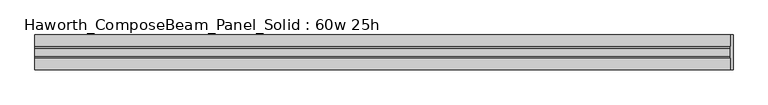
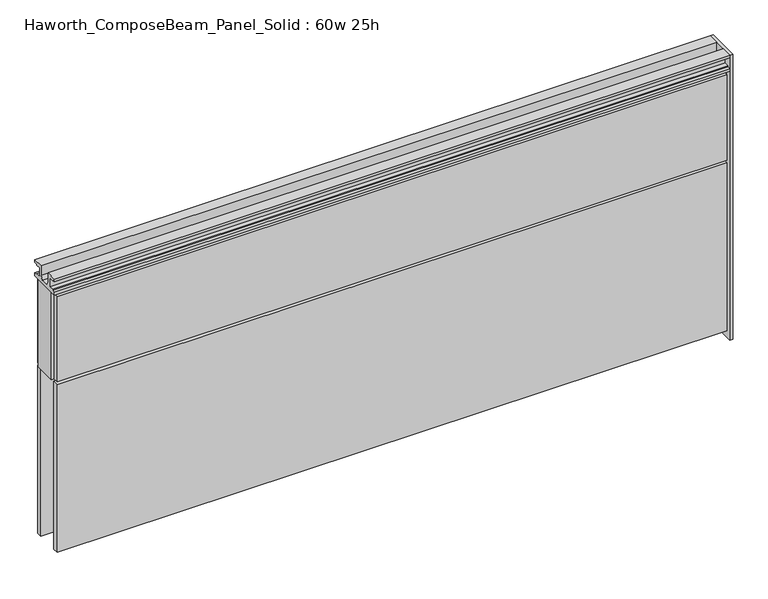
"""IFC4 building model written with IfcOpenShell, lengths in millimetres: furniture geometry, Haworth_ComposeBeam_Panel_Solid : 60w 25h."""

from ifc_helpers import new_model, si_unit, frame, origin, origin_with_axes, place, context, project, spatial, polyline, outline, extrude, source, transform, mapped, element, save


def haworth_composebeam_panel_solid_60w_25h_a267cca1(model_context):
    return source(origin(), model_context, "Body", "SweptSolid", [
        extrude(outline(polyline([(-38.1, 673.1), (-38.1, 679.45), (-13.5001003, 679.45), (-13.5001003, 657.6828071), (-8.7648475, 647.7), (8.7648498, 647.7), (13.5001026, 657.6828071), (13.5001026, 679.45), (38.1000023, 679.45), (38.1000023, 673.1), (30.6197023, 673.1), (30.6197023, 670.8139719), (19.6977019, 670.8139719), (19.6977019, 649.9860281), (30.6197023, 649.9860281), (30.6197023, 647.7), (38.1000011, 647.7), (38.1000011, 641.35), (-38.0999989, 641.35), (-38.0999989, 647.7), (-30.6197, 647.7), (-30.6197, 649.9860281), (-19.6976996, 649.9860281), (-19.6976996, 670.8139719), (-30.6197, 670.8139719), (-30.6197, 673.1), (-38.1, 673.1)])), frame((-759.5597098, 0.0, 0.0), z_axis=(1.0, 0.0, 0.0), x_axis=(0.0, 1.0, 0.0)), (0.0, 0.0, 1.0), 1524.0),
        extrude(outline(polyline([(770.7902902, 38.1), (770.7902902, -38.1), (764.4402902, -38.1), (764.4402902, 38.1), (770.7902902, 38.1)])), origin_with_axes(), (0.0, 0.0, 1.0), 679.45),
        extrude(outline(polyline([(764.4402902, -25.4), (-759.5597098, -25.4), (-759.5597098, 25.4), (764.4402902, 25.4), (764.4402902, -25.4)])), frame((0.0, 0.0, 431.8), z_axis=(0.0, 0.0, 1.0), x_axis=(1.0, 0.0, 0.0)), (0.0, 0.0, 1.0), 209.55),
        extrude(outline(polyline([(-753.2097098, -25.4), (758.0902902, -25.4), (758.0902902, -38.1), (-753.2097098, -38.1), (-753.2097098, -25.4)])), frame((0.0, 0.0, 431.8), z_axis=(0.0, 0.0, 1.0), x_axis=(1.0, 0.0, 0.0)), (0.0, 0.0, 1.0), 203.2),
        extrude(outline(polyline([(-753.2097098, -25.4), (758.0902902, -25.4), (758.0902902, -38.1), (-753.2097098, -38.1), (-753.2097098, -25.4)])), frame((0.0, 0.0, 25.4), z_axis=(0.0, 0.0, 1.0), x_axis=(1.0, 0.0, 0.0)), (0.0, 0.0, 1.0), 400.05),
        extrude(outline(polyline([(-753.2097098, 38.1), (758.0902902, 38.1), (758.0902902, 25.4), (-753.2097098, 25.4), (-753.2097098, 38.1)])), frame((0.0, 0.0, 431.8), z_axis=(0.0, 0.0, 1.0), x_axis=(1.0, 0.0, 0.0)), (0.0, 0.0, 1.0), 203.2),
        extrude(outline(polyline([(-753.2097098, 38.1), (758.0902902, 38.1), (758.0902902, 25.4), (-753.2097098, 25.4), (-753.2097098, 38.1)])), frame((0.0, 0.0, 25.4), z_axis=(0.0, 0.0, 1.0), x_axis=(1.0, 0.0, 0.0)), (0.0, 0.0, 1.0), 400.05),
    ])


if __name__ == "__main__":
    model = new_model("IFC4")
    model_context = context("Model", 3, world=origin())
    ifc_project = project(units=[si_unit("LENGTHUNIT", "METRE", prefix="MILLI")], contexts=[model_context])
    site = spatial("IfcSite", under=ifc_project)
    building = spatial("IfcBuilding", under=site)
    placement = place(None, origin())
    haworth_composebeam_panel_solid_60w_25h_shape = haworth_composebeam_panel_solid_60w_25h_a267cca1(model_context)
    element("IfcFurniture", 1, ObjectType="Haworth_ComposeBeam_Panel_Solid : 60w 25h", at=placement, inside=building, context=model_context, shape_type="MappedRepresentation", body=[
        mapped(haworth_composebeam_panel_solid_60w_25h_shape, transform((0.0, 0.0, 0.0), x_axis=(1.0, 0.0, 0.0), y_axis=(0.0, 1.0, 0.0), z_axis=(0.0, 0.0, 1.0))),
    ])
    save(model, "model.ifc")
